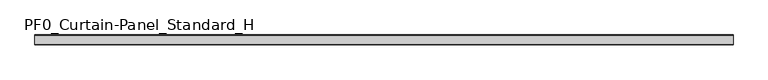
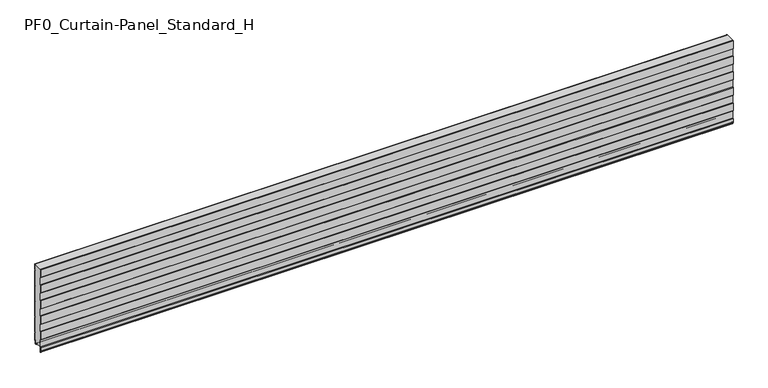
"""IFC4 building model written with IfcOpenShell, lengths in millimetres: plate geometry, PF0_Curtain-Panel_Standard_H."""

import ifcopenshell
import ifcopenshell.guid

model = None  # the IFC model being written
_history = None  # IfcOwnerHistory: only IFC2X3 demands one
_inside = {}  # id of a spatial element -> (the spatial element, [elements in it])
_under = {}  # id of a project, library or spatial element -> (it, [spatial elements below it])
_declared = {}  # id of a project -> (the project, [libraries it declares])
_typed = {}  # id of a type object -> (the type object, [elements of that type])
_made_of = {}  # id of a material, layer set ... -> (it, [elements and type objects made of it])


def new_model(schema):
    """Start an empty IFC model of exactly this schema.

    Asked for "IFC4X3", IfcOpenShell would pick the latest addendum, in which some entities
    have other attributes; the version numbers below select the first issue.
    IFC2X3 requires an IfcOwnerHistory on every rooted entity: one is made here for all.
    """
    global model, _history
    if schema == "IFC4X3":
        model = ifcopenshell.file(schema_version=(4, 3, 0, 0))
    else:
        model = ifcopenshell.file(schema=schema)
    _inside.clear()
    _under.clear()
    _declared.clear()
    _typed.clear()
    _made_of.clear()
    _history = None
    if model.schema == "IFC2X3":
        org = make("IfcOrganization", Name="unknown")
        user = make(
            "IfcPersonAndOrganization",
            ThePerson=make("IfcPerson", FamilyName="unknown"),
            TheOrganization=org,
        )
        app = make(
            "IfcApplication",
            ApplicationDeveloper=org,
            Version="unknown",
            ApplicationFullName="unknown",
            ApplicationIdentifier="unknown",
        )
        _history = make(
            "IfcOwnerHistory",
            OwningUser=user,
            OwningApplication=app,
            ChangeAction="ADDED",
            CreationDate=0,
        )
    return model


def make(cls, **values):
    """One entity of the class cls with the attributes given. An attribute that is None is left unset."""
    return model.create_entity(
        cls, **{name: value for name, value in values.items() if value is not None}
    )


def rooted(cls, **values):
    """An entity with a GlobalId (a new one), such as an element, a storey or a relation."""
    return make(cls, GlobalId=ifcopenshell.guid.new(), OwnerHistory=_history, **values)


def si_unit(unit_type, name, prefix=None):
    """IfcSIUnit, for example si_unit("LENGTHUNIT", "METRE", prefix="MILLI")."""
    return make("IfcSIUnit", UnitType=unit_type, Prefix=prefix, Name=name)


def assignment(units):
    """IfcUnitAssignment: the units of a project."""
    return None if units is None else make("IfcUnitAssignment", Units=units)


def point(xyz):
    """IfcCartesianPoint."""
    return None if xyz is None else make("IfcCartesianPoint", Coordinates=xyz)


def direction(xyz):
    """IfcDirection."""
    return None if xyz is None else make("IfcDirection", DirectionRatios=xyz)


def frame(location, z_axis=None, x_axis=None):
    """IfcAxis2Placement3D, a coordinate frame: its origin and axes. An axis left out is left unset."""
    return make(
        "IfcAxis2Placement3D",
        Location=point(location),
        Axis=direction(z_axis),
        RefDirection=direction(x_axis),
    )


def frame_2d(location, x_axis=None):
    """IfcAxis2Placement2D, a coordinate frame in the plane: its origin and x axis."""
    return make(
        "IfcAxis2Placement2D", Location=point(location), RefDirection=direction(x_axis)
    )


def origin():
    """The frame at (0, 0, 0) with its axes left unset."""
    return frame((0.0, 0.0, 0.0))


def place(relative_to, where):
    """IfcLocalPlacement: puts the frame where relative to a parent placement (None: the world)."""
    return make(
        "IfcLocalPlacement", PlacementRelTo=relative_to, RelativePlacement=where
    )


def context(
    kind, dimensions, precision=None, world=None, true_north=None, identifier=None
):
    """IfcGeometricRepresentationContext, for example the 3D "Model" context."""
    return make(
        "IfcGeometricRepresentationContext",
        ContextIdentifier=identifier,
        ContextType=kind,
        CoordinateSpaceDimension=dimensions,
        Precision=precision,
        WorldCoordinateSystem=world,
        TrueNorth=true_north,
    )


def project(units=None, contexts=None):
    """IfcProject with its units and contexts."""
    return rooted(
        "IfcProject",
        Name="project",
        RepresentationContexts=contexts,
        UnitsInContext=assignment(units),
    )


def spatial(cls, under=None, at=None, **own):
    """A site, building, storey or space (cls), placed at a placement, below another one or the project."""
    s = rooted(cls, ObjectPlacement=at, **own)
    if under is not None:
        _under.setdefault(under.id(), (under, []))[1].append(s)
    return s


def polyline(points):
    """IfcPolyline through the points."""
    return make("IfcPolyline", Points=[point(p) for p in points])


def circle_curve(where, radius):
    """IfcCircle in the frame where."""
    return make("IfcCircle", Position=where, Radius=radius)


def trimmed(basis, trim1, trim2, sense, master):
    """IfcTrimmedCurve: the piece of a basis curve between two trims."""
    return make(
        "IfcTrimmedCurve",
        BasisCurve=basis,
        Trim1=trim1,
        Trim2=trim2,
        SenseAgreement=sense,
        MasterRepresentation=master,
    )


def segment(curve, same_sense, transition):
    """IfcCompositeCurveSegment."""
    return make(
        "IfcCompositeCurveSegment",
        Transition=transition,
        SameSense=same_sense,
        ParentCurve=curve,
    )


def composite_curve(segments, self_intersect=None):
    """IfcCompositeCurve: segments joined end to end."""
    return make("IfcCompositeCurve", Segments=segments, SelfIntersect=self_intersect)


def outline(outer, holes=None, kind="AREA"):
    """IfcArbitraryClosedProfileDef: a profile drawn as a closed curve; with holes, ...WithVoids."""
    if holes is None:
        return make("IfcArbitraryClosedProfileDef", ProfileType=kind, OuterCurve=outer)
    return make(
        "IfcArbitraryProfileDefWithVoids",
        ProfileType=kind,
        OuterCurve=outer,
        InnerCurves=holes,
    )


def extrude(swept, where, along, depth):
    """IfcExtrudedAreaSolid: the profile swept, set in the frame where, extruded along a direction by depth."""
    return make(
        "IfcExtrudedAreaSolid",
        SweptArea=swept,
        Position=where,
        ExtrudedDirection=direction(along),
        Depth=depth,
    )


def shape(context_of_items, identifier, shape_type, items):
    """IfcShapeRepresentation: the items that make up one representation, for example the "Body"."""
    return make(
        "IfcShapeRepresentation",
        ContextOfItems=context_of_items,
        RepresentationIdentifier=identifier,
        RepresentationType=shape_type,
        Items=items,
    )


def source(mapping_origin, context_of_items, identifier, shape_type, items):
    """IfcRepresentationMap: a shape defined once, which mapped items show again and again."""
    return make(
        "IfcRepresentationMap",
        MappingOrigin=mapping_origin,
        MappedRepresentation=shape(context_of_items, identifier, shape_type, items),
    )


def transform(
    local_origin,
    x_axis=None,
    y_axis=None,
    z_axis=None,
    scale=None,
    scale2=None,
    scale3=None,
    uniform=True,
):
    """IfcCartesianTransformationOperator3D, or its non-uniform kind. x_axis, y_axis, z_axis: its Axis1, 2, 3."""
    if uniform:
        return make(
            "IfcCartesianTransformationOperator3D",
            Axis1=direction(x_axis),
            Axis2=direction(y_axis),
            LocalOrigin=point(local_origin),
            Scale=scale,
            Axis3=direction(z_axis),
        )
    return make(
        "IfcCartesianTransformationOperator3DnonUniform",
        Axis1=direction(x_axis),
        Axis2=direction(y_axis),
        LocalOrigin=point(local_origin),
        Scale=scale,
        Axis3=direction(z_axis),
        Scale2=scale2,
        Scale3=scale3,
    )


def mapped(mapping_source, mapping_target):
    """IfcMappedItem: shows the shape of a source again, moved by a transform."""
    return make(
        "IfcMappedItem", MappingSource=mapping_source, MappingTarget=mapping_target
    )


def made_of(thing, what):
    """Note that an element or type object is made of a material, layer set ...; save() writes the relation."""
    if what is not None:
        _made_of.setdefault(what.id(), (what, []))[1].append(thing)
    return thing


def element(
    cls,
    number,
    at=None,
    inside=None,
    cuts=None,
    type_object=None,
    material=None,
    context=None,
    identifier="Body",
    shape_type=None,
    held_by="IfcProductDefinitionShape",
    body=None,
    shapes=None,
    **own,
):
    """One element of the class cls, such as IfcWall. Its Tag is "e" and its number.

    at: its placement. inside: the storey or other place that contains it. cuts: it is an
    opening in that element (IfcRelVoidsElement). A single representation is given by context,
    identifier, shape_type and body (its items); several are given by shapes. held_by: the class
    of the entity that holds the representations. save() writes the other relations.
    """
    e = rooted(cls, Tag="e%d" % number, ObjectPlacement=at, **own)
    if body is not None:
        shapes = [shape(context, identifier, shape_type, body)]
    if shapes is not None:
        e.Representation = make(held_by, Representations=shapes)
    if inside is not None:
        _inside.setdefault(inside.id(), (inside, []))[1].append(e)
    if cuts is not None:
        rooted(
            "IfcRelVoidsElement", RelatingBuildingElement=cuts, RelatedOpeningElement=e
        )
    if type_object is not None:
        _typed.setdefault(type_object.id(), (type_object, []))[1].append(e)
    return made_of(e, material)


def aggregate(whole, parts):
    """IfcRelAggregates: a whole, such as a stair, and the parts it consists of."""
    return rooted("IfcRelAggregates", RelatingObject=whole, RelatedObjects=parts)


def save(model, path):
    """Write the relations noted so far, then the file.

    IfcRelAggregates (storeys below a building ...), IfcRelContainedInSpatialStructure (elements
    in a storey), IfcRelDefinesByType, IfcRelAssociatesMaterial and IfcRelDeclares: one each for
    every whole, place, type object, material and project.
    """
    for whole, parts in _under.values():
        aggregate(whole, parts)
    for where, things in _inside.values():
        rooted(
            "IfcRelContainedInSpatialStructure",
            RelatedElements=things,
            RelatingStructure=where,
        )
    for kind, things in _typed.values():
        rooted("IfcRelDefinesByType", RelatedObjects=things, RelatingType=kind)
    for what, things in _made_of.values():
        rooted("IfcRelAssociatesMaterial", RelatedObjects=things, RelatingMaterial=what)
    for by, libraries in _declared.values():
        rooted("IfcRelDeclares", RelatingContext=by, RelatedDefinitions=libraries)
    model.write(path)


def pf0_curtain_panel_standard_h_e1f00eb2(model_context):
    return source(origin(), model_context, "Body", "SweptSolid", [
        extrude(outline(composite_curve([segment(polyline([(-50.0, 0.0), (-53.5, 0.0)]), True, "CONTINUOUS"), segment(trimmed(circle_curve(frame_2d((-53.5, -2.0)), 2.0), [point((-53.5, 0.0))], [point((-55.5, -2.0))], True, "CARTESIAN"), True, "CONTINUOUS"), segment(polyline([(-55.5, -2.0), (-55.5, -33.0)]), True, "CONTINUOUS"), segment(trimmed(circle_curve(frame_2d((-56.5, -33.0)), 1.0), [point((-55.5, -33.0))], [point((-57.5, -33.0))], False, "CARTESIAN"), True, "CONTINUOUS"), segment(polyline([(-57.5, -33.0), (-57.5, -26.9)]), True, "CONTINUOUS"), segment(trimmed(circle_curve(frame_2d((-58.4, -26.9)), 0.9), [point((-57.5, -26.9))], [point((-58.4, -26.0))], True, "CARTESIAN"), True, "CONTINUOUS"), segment(trimmed(circle_curve(frame_2d((-58.4, -24.4)), 1.6), [point((-58.4, -26.0))], [point((-60.0, -24.4))], False, "CARTESIAN"), True, "CONTINUOUS"), segment(polyline([(-60.0, -24.4), (-60.0, -0.9952559), (-58.5, 1.6028217), (-58.5, 46.4028193), (-60.0, 49.0008969), (-60.0, 99.0047441), (-58.5, 101.6028217), (-58.5, 146.4028193), (-60.0, 149.0008969), (-60.0, 199.0047441), (-58.5, 201.6028217), (-58.5, 246.4028193), (-60.0, 249.0008969), (-60.0, 299.0047441), (-58.5, 301.6028217), (-58.5, 346.4028193), (-60.0, 349.0008969), (-60.0, 399.0047441), (-58.5, 401.6028217), (-58.5, 446.4028193), (-60.0, 449.0008969), (-60.0, 499.0047441), (-59.425389, 500.0), (-58.5016287, 500.0), (-59.2, 498.7903848), (-59.2, 449.2152562), (-57.7, 446.6171786), (-57.7, 401.3884624), (-59.2, 398.7903848), (-59.2, 349.2152562), (-57.7, 346.6171786), (-57.7, 301.3884624), (-59.2, 298.7903848), (-59.2, 249.2152562), (-57.7, 246.6171786), (-57.7, 201.3884624), (-59.2, 198.7903848), (-59.2, 149.2152562), (-57.7, 146.6171786), (-57.7, 101.3884624), (-59.2, 98.7903848), (-59.2, 49.2152562), (-57.7, 46.6171786), (-57.7, 1.3884624), (-59.2, -1.2096152), (-59.2, -24.4)]), True, "CONTINUOUS"), segment(trimmed(circle_curve(frame_2d((-58.4, -24.4)), 0.8), [point((-59.2, -24.4))], [point((-58.4, -25.2))], True, "CARTESIAN"), True, "CONTINUOUS"), segment(trimmed(circle_curve(frame_2d((-58.6133333, -26.9)), 1.7133333), [point((-58.4, -25.2))], [point((-56.9, -26.9))], False, "CARTESIAN"), True, "CONTINUOUS"), segment(polyline([(-56.9, -26.9), (-56.9, -32.8700312)]), True, "CONTINUOUS"), segment(trimmed(circle_curve(frame_2d((-56.6, -32.8700312)), 0.3), [point((-56.9, -32.8700312))], [point((-56.3, -32.8700312))], True, "CARTESIAN"), True, "CONTINUOUS"), segment(polyline([(-56.3, -32.8700312), (-56.3, -2.0)]), True, "CONTINUOUS"), segment(trimmed(circle_curve(frame_2d((-53.5, -2.0)), 2.8), [point((-56.3, -2.0))], [point((-53.5, 0.8))], False, "CARTESIAN"), True, "CONTINUOUS"), segment(polyline([(-53.5, 0.8), (-50.0, 0.8), (-50.0, 0.0)]), True, "CONTINUOUS")], self_intersect=False)), frame((-2100.0, 0.0, 0.0), z_axis=(1.0, 0.0, 0.0), x_axis=(0.0, 1.0, 0.0)), (0.0, 0.0, 1.0), 4200.0),
        extrude(outline(composite_curve([segment(polyline([(-15.878557, 0.0), (-20.0, 0.0), (-20.0, 0.8), (-15.878557, 0.8)]), True, "CONTINUOUS"), segment(trimmed(circle_curve(frame_2d((-15.878557, -2.0)), 2.8), [point((-15.878557, 0.8))], [point((-13.1503208, -1.370137))], False, "CARTESIAN"), True, "CONTINUOUS"), segment(polyline([(-13.1503208, -1.370137), (-11.728236, -7.529863)]), True, "CONTINUOUS"), segment(trimmed(circle_curve(frame_2d((-9.0, -6.9)), 2.8), [point((-11.728236, -7.529863))], [point((-6.2, -6.9))], True, "CARTESIAN"), True, "CONTINUOUS"), segment(polyline([(-6.2, -6.9), (-6.2, 8.6)]), True, "CONTINUOUS"), segment(trimmed(circle_curve(frame_2d((-3.4, 8.6)), 2.8), [point((-6.2, 8.6))], [point((-3.4, 11.4))], False, "CARTESIAN"), True, "CONTINUOUS"), segment(polyline([(-3.4, 11.4), (-2.0, 11.4)]), True, "CONTINUOUS"), segment(trimmed(circle_curve(frame_2d((-2.0, 12.6)), 1.2), [point((-2.0, 11.4))], [point((-0.8, 12.6))], True, "CARTESIAN"), True, "CONTINUOUS"), segment(polyline([(-0.8, 12.6), (-0.8, 57.6856412), (-2.482606, 60.6), (-0.8, 63.5143588), (-0.8, 157.6856412), (-2.482606, 160.6), (-0.8, 163.5143588), (-0.8, 257.6856412), (-2.482606, 260.6), (-0.8, 263.5143588), (-0.8, 357.6856412), (-2.482606, 360.6), (-0.8, 363.5143588), (-0.8, 457.6856412), (-2.482606, 460.6), (-0.8, 463.5143588), (-0.8, 500.0), (0.0, 500.0), (0.0, 463.2999995), (-1.5588455, 460.6), (0.0, 457.9000005), (0.0, 363.2999995), (-1.5588455, 360.6), (0.0, 357.9000005), (0.0, 263.2999995), (-1.5588455, 260.6), (0.0, 257.9000005), (0.0, 163.2999995), (-1.5588455, 160.6), (0.0, 157.9000005), (0.0, 63.2999995), (-1.5588455, 60.6), (0.0, 57.9000005), (0.0, 12.6)]), True, "CONTINUOUS"), segment(trimmed(circle_curve(frame_2d((-2.0, 12.6)), 2.0), [point((0.0, 12.6))], [point((-2.0, 10.6))], False, "CARTESIAN"), True, "CONTINUOUS"), segment(polyline([(-2.0, 10.6), (-3.4, 10.6)]), True, "CONTINUOUS"), segment(trimmed(circle_curve(frame_2d((-3.4, 8.6)), 2.0), [point((-3.4, 10.6))], [point((-5.4, 8.6))], True, "CARTESIAN"), True, "CONTINUOUS"), segment(polyline([(-5.4, 8.6), (-5.4, -6.9)]), True, "CONTINUOUS"), segment(trimmed(circle_curve(frame_2d((-9.0, -6.9)), 3.6), [point((-5.4, -6.9))], [point((-12.5077322, -7.7098239))], False, "CARTESIAN"), True, "CONTINUOUS"), segment(polyline([(-12.5077322, -7.7098239), (-13.929817, -1.5500979)]), True, "CONTINUOUS"), segment(trimmed(circle_curve(frame_2d((-15.878557, -2.0)), 2.0), [point((-13.929817, -1.5500979))], [point((-15.878557, 0.0))], True, "CARTESIAN"), True, "CONTINUOUS")], self_intersect=False)), frame((-2100.0, 0.0, 0.0), z_axis=(1.0, 0.0, 0.0), x_axis=(0.0, 1.0, 0.0)), (0.0, 0.0, 1.0), 4200.0),
        extrude(outline(composite_curve([segment(polyline([(-50.0, 0.8), (-53.5, 0.8)]), True, "CONTINUOUS"), segment(trimmed(circle_curve(frame_2d((-53.5, -2.0)), 2.8), [point((-53.5, 0.8))], [point((-56.3, -2.0))], True, "CARTESIAN"), True, "CONTINUOUS"), segment(polyline([(-56.3, -2.0), (-56.3, -32.8700312)]), True, "CONTINUOUS"), segment(trimmed(circle_curve(frame_2d((-56.6, -32.8700312)), 0.3), [point((-56.3, -32.8700312))], [point((-56.9, -32.8700312))], False, "CARTESIAN"), True, "CONTINUOUS"), segment(polyline([(-56.9, -32.8700312), (-56.9, -26.9)]), True, "CONTINUOUS"), segment(trimmed(circle_curve(frame_2d((-58.6133333, -26.9)), 1.7133333), [point((-56.9, -26.9))], [point((-58.4, -25.2))], True, "CARTESIAN"), True, "CONTINUOUS"), segment(trimmed(circle_curve(frame_2d((-58.4, -24.4)), 0.8), [point((-58.4, -25.2))], [point((-59.2, -24.4))], False, "CARTESIAN"), True, "CONTINUOUS"), segment(polyline([(-59.2, -24.4), (-59.2, -1.2096152), (-57.7, 1.3884624), (-57.7, 46.6171786), (-59.2, 49.2152562), (-59.2, 98.7903848), (-57.7, 101.3884624), (-57.7, 146.6171786), (-59.2, 149.2152562), (-59.2, 198.7903848), (-57.7, 201.3884624), (-57.7, 246.6171786), (-59.2, 249.2152562), (-59.2, 298.7903848), (-57.7, 301.3884624), (-57.7, 346.6171786), (-59.2, 349.2152562), (-59.2, 398.7903848), (-57.7, 401.3884624), (-57.7, 446.6171786), (-59.2, 449.2152562), (-59.2, 498.7903848), (-58.5016287, 500.0), (-0.8, 500.0), (-0.8, 463.5143588), (-2.482606, 460.6), (-0.8, 457.6856412), (-0.8, 363.5143588), (-2.482606, 360.6), (-0.8, 357.6856412), (-0.8, 263.5143588), (-2.482606, 260.6), (-0.8, 257.6856412), (-0.8, 163.5143588), (-2.482606, 160.6), (-0.8, 157.6856412), (-0.8, 63.5143588), (-2.482606, 60.6), (-0.8, 57.6856412), (-0.8, 12.6)]), True, "CONTINUOUS"), segment(trimmed(circle_curve(frame_2d((-2.0, 12.6)), 1.2), [point((-0.8, 12.6))], [point((-2.0, 11.4))], False, "CARTESIAN"), True, "CONTINUOUS"), segment(polyline([(-2.0, 11.4), (-3.4, 11.4)]), True, "CONTINUOUS"), segment(trimmed(circle_curve(frame_2d((-3.4, 8.6)), 2.8), [point((-3.4, 11.4))], [point((-6.2, 8.6))], True, "CARTESIAN"), True, "CONTINUOUS"), segment(polyline([(-6.2, 8.6), (-6.2, -6.9)]), True, "CONTINUOUS"), segment(trimmed(circle_curve(frame_2d((-9.0, -6.9)), 2.8), [point((-6.2, -6.9))], [point((-11.7282362, -7.529863))], False, "CARTESIAN"), True, "CONTINUOUS"), segment(polyline([(-11.7282362, -7.529863), (-13.1503208, -1.370137)]), True, "CONTINUOUS"), segment(trimmed(circle_curve(frame_2d((-15.878557, -2.0)), 2.8), [point((-13.1503208, -1.370137))], [point((-15.878557, 0.8))], True, "CARTESIAN"), True, "CONTINUOUS"), segment(polyline([(-15.878557, 0.8), (-20.0, 0.8), (-20.0, 0.0), (-50.0, 0.0), (-50.0, 0.8)]), True, "CONTINUOUS")], self_intersect=False)), frame((-2100.0, 0.0, 0.0), z_axis=(1.0, 0.0, 0.0), x_axis=(0.0, 1.0, 0.0)), (0.0, 0.0, 1.0), 4200.0),
    ])


if __name__ == "__main__":
    model = new_model("IFC4")
    model_context = context("Model", 3, world=origin())
    ifc_project = project(units=[si_unit("LENGTHUNIT", "METRE", prefix="MILLI")], contexts=[model_context])
    site = spatial("IfcSite", under=ifc_project)
    building = spatial("IfcBuilding", under=site)
    placement = place(None, origin())
    pf0_curtain_panel_standard_h_shape = pf0_curtain_panel_standard_h_e1f00eb2(model_context)
    element("IfcPlate", 1, ObjectType="PF0_Curtain-Panel_Standard_H", at=placement, inside=building, context=model_context, shape_type="MappedRepresentation", body=[
        mapped(pf0_curtain_panel_standard_h_shape, transform((0.0, 0.0, 0.0), x_axis=(1.0, 0.0, 0.0), y_axis=(0.0, 1.0, 0.0), z_axis=(0.0, 0.0, 1.0))),
    ])
    save(model, "model.ifc")
